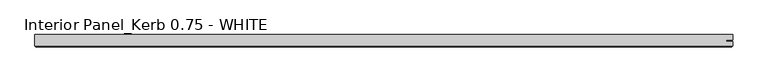
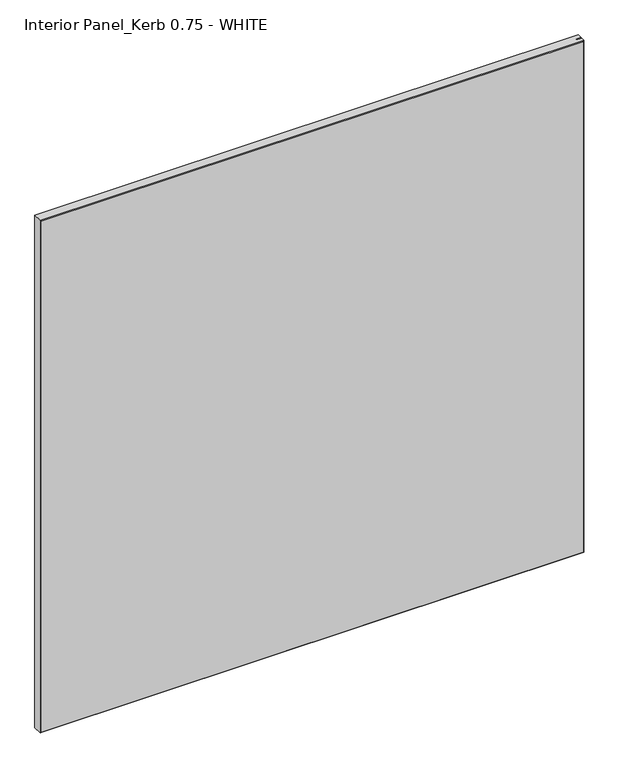
"""IFC4 building model written with IfcOpenShell, lengths in millimetres: proxy geometry, Interior Panel_Kerb 0.75 - WHITE."""

import ifcopenshell
import ifcopenshell.guid

model = None  # the IFC model being written
_history = None  # IfcOwnerHistory: only IFC2X3 demands one
_inside = {}  # id of a spatial element -> (the spatial element, [elements in it])
_under = {}  # id of a project, library or spatial element -> (it, [spatial elements below it])
_declared = {}  # id of a project -> (the project, [libraries it declares])
_typed = {}  # id of a type object -> (the type object, [elements of that type])
_made_of = {}  # id of a material, layer set ... -> (it, [elements and type objects made of it])


def new_model(schema):
    """Start an empty IFC model of exactly this schema.

    Asked for "IFC4X3", IfcOpenShell would pick the latest addendum, in which some entities
    have other attributes; the version numbers below select the first issue.
    IFC2X3 requires an IfcOwnerHistory on every rooted entity: one is made here for all.
    """
    global model, _history
    if schema == "IFC4X3":
        model = ifcopenshell.file(schema_version=(4, 3, 0, 0))
    else:
        model = ifcopenshell.file(schema=schema)
    _inside.clear()
    _under.clear()
    _declared.clear()
    _typed.clear()
    _made_of.clear()
    _history = None
    if model.schema == "IFC2X3":
        org = make("IfcOrganization", Name="unknown")
        user = make(
            "IfcPersonAndOrganization",
            ThePerson=make("IfcPerson", FamilyName="unknown"),
            TheOrganization=org,
        )
        app = make(
            "IfcApplication",
            ApplicationDeveloper=org,
            Version="unknown",
            ApplicationFullName="unknown",
            ApplicationIdentifier="unknown",
        )
        _history = make(
            "IfcOwnerHistory",
            OwningUser=user,
            OwningApplication=app,
            ChangeAction="ADDED",
            CreationDate=0,
        )
    return model


def make(cls, **values):
    """One entity of the class cls with the attributes given. An attribute that is None is left unset."""
    return model.create_entity(
        cls, **{name: value for name, value in values.items() if value is not None}
    )


def rooted(cls, **values):
    """An entity with a GlobalId (a new one), such as an element, a storey or a relation."""
    return make(cls, GlobalId=ifcopenshell.guid.new(), OwnerHistory=_history, **values)


def si_unit(unit_type, name, prefix=None):
    """IfcSIUnit, for example si_unit("LENGTHUNIT", "METRE", prefix="MILLI")."""
    return make("IfcSIUnit", UnitType=unit_type, Prefix=prefix, Name=name)


def assignment(units):
    """IfcUnitAssignment: the units of a project."""
    return None if units is None else make("IfcUnitAssignment", Units=units)


def point(xyz):
    """IfcCartesianPoint."""
    return None if xyz is None else make("IfcCartesianPoint", Coordinates=xyz)


def direction(xyz):
    """IfcDirection."""
    return None if xyz is None else make("IfcDirection", DirectionRatios=xyz)


def frame(location, z_axis=None, x_axis=None):
    """IfcAxis2Placement3D, a coordinate frame: its origin and axes. An axis left out is left unset."""
    return make(
        "IfcAxis2Placement3D",
        Location=point(location),
        Axis=direction(z_axis),
        RefDirection=direction(x_axis),
    )


def origin():
    """The frame at (0, 0, 0) with its axes left unset."""
    return frame((0.0, 0.0, 0.0))


def place(relative_to, where):
    """IfcLocalPlacement: puts the frame where relative to a parent placement (None: the world)."""
    return make(
        "IfcLocalPlacement", PlacementRelTo=relative_to, RelativePlacement=where
    )


def context(
    kind, dimensions, precision=None, world=None, true_north=None, identifier=None
):
    """IfcGeometricRepresentationContext, for example the 3D "Model" context."""
    return make(
        "IfcGeometricRepresentationContext",
        ContextIdentifier=identifier,
        ContextType=kind,
        CoordinateSpaceDimension=dimensions,
        Precision=precision,
        WorldCoordinateSystem=world,
        TrueNorth=true_north,
    )


def project(units=None, contexts=None):
    """IfcProject with its units and contexts."""
    return rooted(
        "IfcProject",
        Name="project",
        RepresentationContexts=contexts,
        UnitsInContext=assignment(units),
    )


def spatial(cls, under=None, at=None, **own):
    """A site, building, storey or space (cls), placed at a placement, below another one or the project."""
    s = rooted(cls, ObjectPlacement=at, **own)
    if under is not None:
        _under.setdefault(under.id(), (under, []))[1].append(s)
    return s


def faces_of(points, faces, orient=None, outer=None):
    """IfcFace entities. A face is a list of loops; a loop is a list of indices into points, from 0.

    orient and outer hold one flag for each loop. By default every Orientation is true, the
    first loop of a face is its IfcFaceOuterBound and the others are IfcFaceBound.
    """
    made = []
    for i, loops in enumerate(faces):
        bounds = []
        for j, loop in enumerate(loops):
            is_outer = j == 0 if outer is None else outer[i][j]
            bounds.append(
                make(
                    "IfcFaceOuterBound" if is_outer else "IfcFaceBound",
                    Bound=make("IfcPolyLoop", Polygon=[points[k] for k in loop]),
                    Orientation=True if orient is None else orient[i][j],
                )
            )
        made.append(make("IfcFace", Bounds=bounds))
    return made


def faceted_brep(points, faces, orient=None, outer=None, voids=None):
    """IfcFacetedBrep: a solid bounded by flat faces; with voids (closed shells), ...WithVoids."""
    shared = [point(p) for p in points]
    hull = make("IfcClosedShell", CfsFaces=faces_of(shared, faces, orient, outer))
    if voids is None:
        return make("IfcFacetedBrep", Outer=hull)
    return make(
        "IfcFacetedBrepWithVoids",
        Outer=hull,
        Voids=[
            make(cls, CfsFaces=faces_of(shared, fs, o, b)) for cls, fs, o, b in voids
        ],
    )


def shape(context_of_items, identifier, shape_type, items):
    """IfcShapeRepresentation: the items that make up one representation, for example the "Body"."""
    return make(
        "IfcShapeRepresentation",
        ContextOfItems=context_of_items,
        RepresentationIdentifier=identifier,
        RepresentationType=shape_type,
        Items=items,
    )


def source(mapping_origin, context_of_items, identifier, shape_type, items):
    """IfcRepresentationMap: a shape defined once, which mapped items show again and again."""
    return make(
        "IfcRepresentationMap",
        MappingOrigin=mapping_origin,
        MappedRepresentation=shape(context_of_items, identifier, shape_type, items),
    )


def transform(
    local_origin,
    x_axis=None,
    y_axis=None,
    z_axis=None,
    scale=None,
    scale2=None,
    scale3=None,
    uniform=True,
):
    """IfcCartesianTransformationOperator3D, or its non-uniform kind. x_axis, y_axis, z_axis: its Axis1, 2, 3."""
    if uniform:
        return make(
            "IfcCartesianTransformationOperator3D",
            Axis1=direction(x_axis),
            Axis2=direction(y_axis),
            LocalOrigin=point(local_origin),
            Scale=scale,
            Axis3=direction(z_axis),
        )
    return make(
        "IfcCartesianTransformationOperator3DnonUniform",
        Axis1=direction(x_axis),
        Axis2=direction(y_axis),
        LocalOrigin=point(local_origin),
        Scale=scale,
        Axis3=direction(z_axis),
        Scale2=scale2,
        Scale3=scale3,
    )


def mapped(mapping_source, mapping_target):
    """IfcMappedItem: shows the shape of a source again, moved by a transform."""
    return make(
        "IfcMappedItem", MappingSource=mapping_source, MappingTarget=mapping_target
    )


def made_of(thing, what):
    """Note that an element or type object is made of a material, layer set ...; save() writes the relation."""
    if what is not None:
        _made_of.setdefault(what.id(), (what, []))[1].append(thing)
    return thing


def element(
    cls,
    number,
    at=None,
    inside=None,
    cuts=None,
    type_object=None,
    material=None,
    context=None,
    identifier="Body",
    shape_type=None,
    held_by="IfcProductDefinitionShape",
    body=None,
    shapes=None,
    **own,
):
    """One element of the class cls, such as IfcWall. Its Tag is "e" and its number.

    at: its placement. inside: the storey or other place that contains it. cuts: it is an
    opening in that element (IfcRelVoidsElement). A single representation is given by context,
    identifier, shape_type and body (its items); several are given by shapes. held_by: the class
    of the entity that holds the representations. save() writes the other relations.
    """
    e = rooted(cls, Tag="e%d" % number, ObjectPlacement=at, **own)
    if body is not None:
        shapes = [shape(context, identifier, shape_type, body)]
    if shapes is not None:
        e.Representation = make(held_by, Representations=shapes)
    if inside is not None:
        _inside.setdefault(inside.id(), (inside, []))[1].append(e)
    if cuts is not None:
        rooted(
            "IfcRelVoidsElement", RelatingBuildingElement=cuts, RelatedOpeningElement=e
        )
    if type_object is not None:
        _typed.setdefault(type_object.id(), (type_object, []))[1].append(e)
    return made_of(e, material)


def aggregate(whole, parts):
    """IfcRelAggregates: a whole, such as a stair, and the parts it consists of."""
    return rooted("IfcRelAggregates", RelatingObject=whole, RelatedObjects=parts)


def save(model, path):
    """Write the relations noted so far, then the file.

    IfcRelAggregates (storeys below a building ...), IfcRelContainedInSpatialStructure (elements
    in a storey), IfcRelDefinesByType, IfcRelAssociatesMaterial and IfcRelDeclares: one each for
    every whole, place, type object, material and project.
    """
    for whole, parts in _under.values():
        aggregate(whole, parts)
    for where, things in _inside.values():
        rooted(
            "IfcRelContainedInSpatialStructure",
            RelatedElements=things,
            RelatingStructure=where,
        )
    for kind, things in _typed.values():
        rooted("IfcRelDefinesByType", RelatedObjects=things, RelatingType=kind)
    for what, things in _made_of.values():
        rooted("IfcRelAssociatesMaterial", RelatedObjects=things, RelatingMaterial=what)
    for by, libraries in _declared.values():
        rooted("IfcRelDeclares", RelatingContext=by, RelatedDefinitions=libraries)
    model.write(path)


def interior_panel_kerb_0_75_white_24d17c5e(model_context):
    return source(origin(), model_context, "Body", "Brep", [
        faceted_brep([(995.0648438, 3.175, 1063.625), (-73.025, 3.175, 1063.625), (-73.025, -14.2875, 1063.625), (995.0648438, -14.2875, 1063.625), (995.0648438, -7.4168, 1063.625), (985.2421875, -7.4168, 1063.625), (985.2421875, -5.2832, 1063.625), (995.0648438, -5.2832, 1063.625), (995.0648438, 3.175, 0.0), (995.0648438, -5.2832, 0.0), (985.2421875, -5.2832, 0.0), (985.2421875, -7.4168, 0.0), (995.0648438, -7.4168, 0.0), (995.0648438, -14.2875, 0.0), (-73.025, -14.2875, 0.0), (-73.025, 3.175, 0.0), (-71.4375, -15.875, 1062.0375), (-71.4375, -15.875, 1.5875), (993.4773438, -15.875, 1.5875), (993.4773438, -15.875, 1062.0375)], [[[0, 1, 2, 3, 4, 5, 6, 7]], [[8, 9, 10, 11, 12, 13, 14, 15]], [[1, 0, 8, 15]], [[2, 1, 15, 14]], [[16, 17, 18, 19]], [[4, 3, 13, 12]], [[2, 14, 17, 16]], [[13, 3, 19, 18]], [[3, 2, 16, 19]], [[14, 13, 18, 17]], [[5, 4, 12, 11]], [[6, 5, 11, 10]], [[7, 6, 10, 9]], [[0, 7, 9, 8]]]),
    ])


if __name__ == "__main__":
    model = new_model("IFC4")
    model_context = context("Model", 3, world=origin())
    ifc_project = project(units=[si_unit("LENGTHUNIT", "METRE", prefix="MILLI")], contexts=[model_context])
    site = spatial("IfcSite", under=ifc_project)
    building = spatial("IfcBuilding", under=site)
    placement = place(None, origin())
    interior_panel_kerb_0_75_white_shape = interior_panel_kerb_0_75_white_24d17c5e(model_context)
    element("IfcBuildingElementProxy", 1, Name="Interior Panel_Kerb 0.75 - WHITE", ObjectType="Interior Panel_Kerb 0.75 - WHITE", at=placement, inside=building, context=model_context, shape_type="MappedRepresentation", body=[
        mapped(interior_panel_kerb_0_75_white_shape, transform((0.0, 0.0, 0.0), x_axis=(1.0, 0.0, 0.0), y_axis=(0.0, 1.0, 0.0), z_axis=(0.0, 0.0, 1.0))),
    ])
    save(model, "model.ifc")
